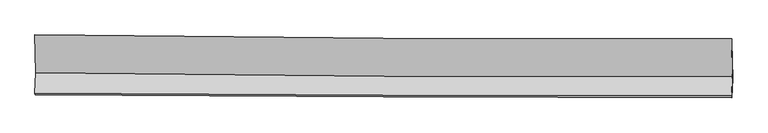
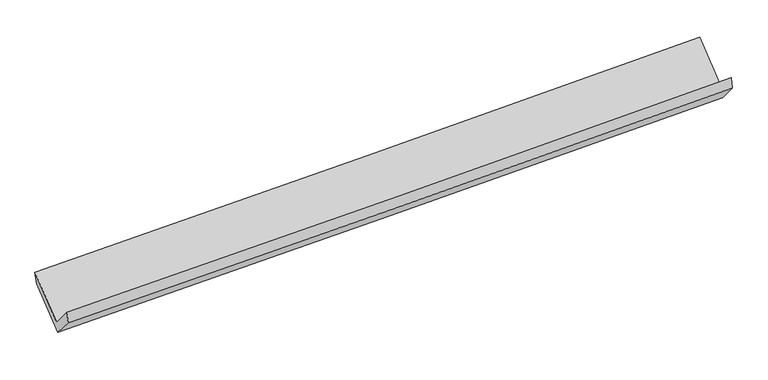
"""IFC4 building model written with IfcOpenShell, lengths in millimetres: proxy geometry."""

import ifcopenshell
import ifcopenshell.guid

model = None  # the IFC model being written
_history = None  # IfcOwnerHistory: only IFC2X3 demands one
_inside = {}  # id of a spatial element -> (the spatial element, [elements in it])
_under = {}  # id of a project, library or spatial element -> (it, [spatial elements below it])
_declared = {}  # id of a project -> (the project, [libraries it declares])
_typed = {}  # id of a type object -> (the type object, [elements of that type])
_made_of = {}  # id of a material, layer set ... -> (it, [elements and type objects made of it])


def new_model(schema):
    """Start an empty IFC model of exactly this schema.

    Asked for "IFC4X3", IfcOpenShell would pick the latest addendum, in which some entities
    have other attributes; the version numbers below select the first issue.
    IFC2X3 requires an IfcOwnerHistory on every rooted entity: one is made here for all.
    """
    global model, _history
    if schema == "IFC4X3":
        model = ifcopenshell.file(schema_version=(4, 3, 0, 0))
    else:
        model = ifcopenshell.file(schema=schema)
    _inside.clear()
    _under.clear()
    _declared.clear()
    _typed.clear()
    _made_of.clear()
    _history = None
    if model.schema == "IFC2X3":
        org = make("IfcOrganization", Name="unknown")
        user = make(
            "IfcPersonAndOrganization",
            ThePerson=make("IfcPerson", FamilyName="unknown"),
            TheOrganization=org,
        )
        app = make(
            "IfcApplication",
            ApplicationDeveloper=org,
            Version="unknown",
            ApplicationFullName="unknown",
            ApplicationIdentifier="unknown",
        )
        _history = make(
            "IfcOwnerHistory",
            OwningUser=user,
            OwningApplication=app,
            ChangeAction="ADDED",
            CreationDate=0,
        )
    return model


def make(cls, **values):
    """One entity of the class cls with the attributes given. An attribute that is None is left unset."""
    return model.create_entity(
        cls, **{name: value for name, value in values.items() if value is not None}
    )


def rooted(cls, **values):
    """An entity with a GlobalId (a new one), such as an element, a storey or a relation."""
    return make(cls, GlobalId=ifcopenshell.guid.new(), OwnerHistory=_history, **values)


def si_unit(unit_type, name, prefix=None):
    """IfcSIUnit, for example si_unit("LENGTHUNIT", "METRE", prefix="MILLI")."""
    return make("IfcSIUnit", UnitType=unit_type, Prefix=prefix, Name=name)


def assignment(units):
    """IfcUnitAssignment: the units of a project."""
    return None if units is None else make("IfcUnitAssignment", Units=units)


def point(xyz):
    """IfcCartesianPoint."""
    return None if xyz is None else make("IfcCartesianPoint", Coordinates=xyz)


def direction(xyz):
    """IfcDirection."""
    return None if xyz is None else make("IfcDirection", DirectionRatios=xyz)


def frame(location, z_axis=None, x_axis=None):
    """IfcAxis2Placement3D, a coordinate frame: its origin and axes. An axis left out is left unset."""
    return make(
        "IfcAxis2Placement3D",
        Location=point(location),
        Axis=direction(z_axis),
        RefDirection=direction(x_axis),
    )


def origin():
    """The frame at (0, 0, 0) with its axes left unset."""
    return frame((0.0, 0.0, 0.0))


def place(relative_to, where):
    """IfcLocalPlacement: puts the frame where relative to a parent placement (None: the world)."""
    return make(
        "IfcLocalPlacement", PlacementRelTo=relative_to, RelativePlacement=where
    )


def context(
    kind, dimensions, precision=None, world=None, true_north=None, identifier=None
):
    """IfcGeometricRepresentationContext, for example the 3D "Model" context."""
    return make(
        "IfcGeometricRepresentationContext",
        ContextIdentifier=identifier,
        ContextType=kind,
        CoordinateSpaceDimension=dimensions,
        Precision=precision,
        WorldCoordinateSystem=world,
        TrueNorth=true_north,
    )


def project(units=None, contexts=None):
    """IfcProject with its units and contexts."""
    return rooted(
        "IfcProject",
        Name="project",
        RepresentationContexts=contexts,
        UnitsInContext=assignment(units),
    )


def spatial(cls, under=None, at=None, **own):
    """A site, building, storey or space (cls), placed at a placement, below another one or the project."""
    s = rooted(cls, ObjectPlacement=at, **own)
    if under is not None:
        _under.setdefault(under.id(), (under, []))[1].append(s)
    return s


def shape(context_of_items, identifier, shape_type, items):
    """IfcShapeRepresentation: the items that make up one representation, for example the "Body"."""
    return make(
        "IfcShapeRepresentation",
        ContextOfItems=context_of_items,
        RepresentationIdentifier=identifier,
        RepresentationType=shape_type,
        Items=items,
    )


def source(mapping_origin, context_of_items, identifier, shape_type, items):
    """IfcRepresentationMap: a shape defined once, which mapped items show again and again."""
    return make(
        "IfcRepresentationMap",
        MappingOrigin=mapping_origin,
        MappedRepresentation=shape(context_of_items, identifier, shape_type, items),
    )


def transform(
    local_origin,
    x_axis=None,
    y_axis=None,
    z_axis=None,
    scale=None,
    scale2=None,
    scale3=None,
    uniform=True,
):
    """IfcCartesianTransformationOperator3D, or its non-uniform kind. x_axis, y_axis, z_axis: its Axis1, 2, 3."""
    if uniform:
        return make(
            "IfcCartesianTransformationOperator3D",
            Axis1=direction(x_axis),
            Axis2=direction(y_axis),
            LocalOrigin=point(local_origin),
            Scale=scale,
            Axis3=direction(z_axis),
        )
    return make(
        "IfcCartesianTransformationOperator3DnonUniform",
        Axis1=direction(x_axis),
        Axis2=direction(y_axis),
        LocalOrigin=point(local_origin),
        Scale=scale,
        Axis3=direction(z_axis),
        Scale2=scale2,
        Scale3=scale3,
    )


def mapped(mapping_source, mapping_target):
    """IfcMappedItem: shows the shape of a source again, moved by a transform."""
    return make(
        "IfcMappedItem", MappingSource=mapping_source, MappingTarget=mapping_target
    )


def made_of(thing, what):
    """Note that an element or type object is made of a material, layer set ...; save() writes the relation."""
    if what is not None:
        _made_of.setdefault(what.id(), (what, []))[1].append(thing)
    return thing


def element(
    cls,
    number,
    at=None,
    inside=None,
    cuts=None,
    type_object=None,
    material=None,
    context=None,
    identifier="Body",
    shape_type=None,
    held_by="IfcProductDefinitionShape",
    body=None,
    shapes=None,
    **own,
):
    """One element of the class cls, such as IfcWall. Its Tag is "e" and its number.

    at: its placement. inside: the storey or other place that contains it. cuts: it is an
    opening in that element (IfcRelVoidsElement). A single representation is given by context,
    identifier, shape_type and body (its items); several are given by shapes. held_by: the class
    of the entity that holds the representations. save() writes the other relations.
    """
    e = rooted(cls, Tag="e%d" % number, ObjectPlacement=at, **own)
    if body is not None:
        shapes = [shape(context, identifier, shape_type, body)]
    if shapes is not None:
        e.Representation = make(held_by, Representations=shapes)
    if inside is not None:
        _inside.setdefault(inside.id(), (inside, []))[1].append(e)
    if cuts is not None:
        rooted(
            "IfcRelVoidsElement", RelatingBuildingElement=cuts, RelatedOpeningElement=e
        )
    if type_object is not None:
        _typed.setdefault(type_object.id(), (type_object, []))[1].append(e)
    return made_of(e, material)


def aggregate(whole, parts):
    """IfcRelAggregates: a whole, such as a stair, and the parts it consists of."""
    return rooted("IfcRelAggregates", RelatingObject=whole, RelatedObjects=parts)


def save(model, path):
    """Write the relations noted so far, then the file.

    IfcRelAggregates (storeys below a building ...), IfcRelContainedInSpatialStructure (elements
    in a storey), IfcRelDefinesByType, IfcRelAssociatesMaterial and IfcRelDeclares: one each for
    every whole, place, type object, material and project.
    """
    for whole, parts in _under.values():
        aggregate(whole, parts)
    for where, things in _inside.values():
        rooted(
            "IfcRelContainedInSpatialStructure",
            RelatedElements=things,
            RelatingStructure=where,
        )
    for kind, things in _typed.values():
        rooted("IfcRelDefinesByType", RelatedObjects=things, RelatingType=kind)
    for what, things in _made_of.values():
        rooted("IfcRelAssociatesMaterial", RelatedObjects=things, RelatingMaterial=what)
    for by, libraries in _declared.values():
        rooted("IfcRelDeclares", RelatingContext=by, RelatedDefinitions=libraries)
    model.write(path)


def plane_surface(at):
    """IfcPlane: the flat surface through the origin of the frame at, square to its z axis."""
    return make("IfcPlane", Position=at)


def spline_curve(degree, points, multiplicities, knots, weights=None):
    """IfcBSplineCurveWithKnots; with weights, IfcRationalBSplineCurveWithKnots."""
    own = dict(
        Degree=degree,
        ControlPointsList=[point(p) for p in points],
        CurveForm="UNSPECIFIED",
        ClosedCurve=False,
        SelfIntersect=False,
        KnotMultiplicities=multiplicities,
        Knots=knots,
        KnotSpec="UNSPECIFIED",
    )
    if weights is None:
        return make("IfcBSplineCurveWithKnots", **own)
    return make("IfcRationalBSplineCurveWithKnots", WeightsData=weights, **own)


def spline_surface(u_degree, v_degree, points, u_multiplicities, v_multiplicities, u_knots, v_knots, weights=None):
    """IfcBSplineSurfaceWithKnots; with weights, IfcRationalBSplineSurfaceWithKnots. points: one row for each step in u."""
    own = dict(
        UDegree=u_degree,
        VDegree=v_degree,
        ControlPointsList=[[point(p) for p in row] for row in points],
        SurfaceForm="UNSPECIFIED",
        UClosed=False,
        VClosed=False,
        SelfIntersect=False,
        UMultiplicities=u_multiplicities,
        VMultiplicities=v_multiplicities,
        UKnots=u_knots,
        VKnots=v_knots,
        KnotSpec="UNSPECIFIED",
    )
    if weights is None:
        return make("IfcBSplineSurfaceWithKnots", **own)
    return make("IfcRationalBSplineSurfaceWithKnots", WeightsData=weights, **own)


def advanced_brep(points, edges, surfaces, faces):
    """IfcAdvancedBrep: a solid bounded by faces that lie on surfaces and meet in shared edges.

    An edge is (start, end): straight between two places in points (the first is 0);
    or (start, end, curve); or (start, end, curve, False) where it runs against its curve.
    A face is (place in surfaces, loops), or (place, loops, False) where it looks against
    its surface's normal. A loop lists edges by number (the first is 1), with a minus sign
    where the edge is run from its end to its start. The first loop is the outer one.
    """
    corners = [point(p) for p in points]
    vertices = [make("IfcVertexPoint", VertexGeometry=c) for c in corners]
    made = []
    for start, end, *more in edges:
        made.append(
            make(
                "IfcEdgeCurve",
                EdgeStart=vertices[start],
                EdgeEnd=vertices[end],
                EdgeGeometry=more[0] if more else make("IfcPolyline", Points=[corners[start], corners[end]]),
                SameSense=more[1] if len(more) > 1 else True,
            )
        )
    hull = []
    for where, loops, *sense in faces:
        bounds = []
        for j, loop in enumerate(loops):
            ring = [make("IfcOrientedEdge", EdgeElement=made[abs(k) - 1], Orientation=k > 0) for k in loop]
            bounds.append(
                make(
                    "IfcFaceOuterBound" if j == 0 else "IfcFaceBound",
                    Bound=make("IfcEdgeLoop", EdgeList=ring),
                    Orientation=True,
                )
            )
        hull.append(make("IfcAdvancedFace", Bounds=bounds, FaceSurface=surfaces[where], SameSense=sense[0] if sense else True))
    return make("IfcAdvancedBrep", Outer=make("IfcClosedShell", CfsFaces=hull))


def generic_models_cf3e982c(model_context):
    return source(origin(), model_context, "Body", "AdvancedBrep", [
        advanced_brep(
        [(-4778.2103432, -1688.9930869, 1650.0310556), (-4787.9518013, -1964.8776164, 1969.713843), (4765.8004457, -2004.3283405, 2226.7925357), (4775.0806379, -1741.5071663, 1922.2469866), (-4784.0313702, -1988.0117305, 1826.1093317), (4769.7208769, -2027.4624545, 2083.1880244), (-4774.3440434, -1713.6602385, 1508.2029603), (4778.9469377, -1766.1743179, 1780.4188913), (-4784.8478688, -1210.4929077, 1942.1135905), (4768.4431123, -1263.0069871, 2214.3295215), (-4789.087349, -1167.9492042, 2099.3576826), (4764.2036321, -1220.4632836, 2371.5736136)],
        [
            (0, 1),
            (1, 2, spline_curve(3, [(-4787.9518013, -1964.8776164, 1969.713843), (-3196.53801998, -1978.256061669, 2006.66229682), (-1605.18447502, -1988.23291741, 2046.544468169), (1579.399758392, -2001.391704192, 2132.229995774), (3172.630295968, -2004.565089724, 2178.0407214), (4765.8004457, -2004.3283405, 2226.7925357)], [4, 2, 4], [0.0, 15.668230199520714, 31.356129371185695])),
            (2, 3),
            (3, 0, spline_curve(3, [(4775.0806379, -1741.5071663, 1922.2469866), (3181.833465813, -1743.925242079, 1876.022797202), (1588.602928237, -1740.751856647, 1830.212071053), (-1595.827357033, -1723.23315163, 1739.474463742), (-3187.027147046, -1708.901844217, 1694.546545957), (-4778.2103432, -1688.9930869, 1650.0310556)], [4, 2, 4], [0.0, 15.68789917166498, 31.356129371185695])),
            (1, 4),
            (4, 5, spline_curve(3, [(-4784.0313702, -1988.0117305, 1826.1093317), (-3192.617589003, -2001.390175463, 1863.057785274), (-1601.264043842, -2011.367031526, 1902.939956808), (1583.320189613, -2024.525818275, 1988.625484535), (3176.550727003, -2027.699203964, 2034.436210265), (4769.7208769, -2027.4624545, 2083.1880244)], [4, 2, 4], [0.0, 15.66821149159209, 31.356091931843615])),
            (5, 2),
            (4, 6),
            (6, 7, spline_curve(3, [(-4774.3440434, -1713.6602385, 1508.2029603), (-3183.160847246, -1733.568995817, 1552.718450657), (-1591.961057233, -1747.90030313, 1597.646368442), (1592.469228037, -1765.419008147, 1688.383975753), (3185.699765613, -1768.592393679, 1734.194701902), (4778.9469377, -1766.1743179, 1780.4188913)], [4, 2, 4], [0.0, 15.668230199520714, 31.356129371185695])),
            (7, 5),
            (6, 8),
            (8, 9, spline_curve(3, [(-4784.8478688, -1210.4929077, 1942.1135905), (-3193.664672639, -1230.401664779, 1986.629081017), (-1602.464882758, -1244.732972411, 2031.556998561), (1581.965402762, -1262.251677467, 2122.294605834), (3175.195939968, -1265.425063174, 2168.105331774), (4768.4431123, -1263.0069871, 2214.3295215)], [4, 2, 4], [0.0, 15.668286323010513, 31.356241688619413])),
            (9, 7),
            (8, 10),
            (10, 11, spline_curve(3, [(-4789.087349, -1167.9492042, 2099.3576826), (-3197.904152839, -1187.857961279, 2143.873173117), (-1606.704362958, -1202.189268811, 2188.801090661), (1577.725922562, -1219.707973867, 2279.538697934), (3170.956459768, -1222.881359674, 2325.349423874), (4764.2036321, -1220.4632836, 2371.5736136)], [4, 2, 4], [0.0, 15.668286323010516, 31.35624168861942])),
            (11, 9),
            (10, 0),
            (3, 11),
        ],
        [
            spline_surface(3, 3, [[(-4778.2103432, -1688.9930869, 1650.0310556), (-3187.027146787, -1708.901843966, 1694.546545923), (-1595.827357075, -1723.233151576, 1739.474463626), (1588.602928279, -1740.751856701, 1830.212071169), (3181.833465585, -1743.925242225, 1876.022797132), (4775.0806379, -1741.5071663, 1922.2469866)], [(-4781.457495911, -1780.954596722, 1756.59198472), (-3190.19743792, -1798.68658314, 1798.585129518), (-1598.946396441, -1811.566406824, 1841.831131863), (1585.53520502, -1827.631805915, 1930.88471267), (3178.765742326, -1830.805191439, 1976.695438633), (4771.987240493, -1829.114224344, 2023.762169645)], [(-4784.704648589, -1872.916106578, 1863.15291388), (-3193.367729021, -1888.471322348, 1902.623713153), (-1602.065435785, -1899.899662041, 1944.187800066), (1582.467481782, -1914.511755099, 2031.557354138), (3175.698019088, -1917.685140723, 2077.3680801), (4768.893843107, -1916.721282456, 2125.277352655)], [(-4787.9518013, -1964.8776164, 1969.713843), (-3196.538020155, -1978.256061522, 2006.662296749), (-1605.184475151, -1988.232917289, 2046.544468303), (1579.399758523, -2001.391704313, 2132.229995639), (3172.630295829, -2004.565089937, 2178.040721601), (4765.8004457, -2004.3283405, 2226.7925357)]], [4, 4], [4, 2, 4], [0.0, 1.320121393990084], [0.0, 15.668230199520714, 31.356129371185695]),
            spline_surface(3, 3, [[(-4787.9518013, -1964.8776164, 1969.713843), (-3196.538020155, -1978.256061522, 2006.662296749), (-1605.184475151, -1988.232917289, 2046.544468303), (1579.399758523, -2001.391704313, 2132.229995639), (3172.630295829, -2004.565089937, 2178.040721601), (4765.8004457, -2004.3283405, 2226.7925357)], [(-4786.644990908, -1972.588987752, 1921.845672567), (-3195.231209762, -1985.967432874, 1958.794126316), (-1603.877664758, -1995.94428864, 1998.676297871), (1580.706568915, -2009.103075665, 2084.361825206), (3173.937106222, -2012.276461289, 2130.172551169), (4767.107256092, -2012.039711852, 2178.924365267)], [(-4785.338180592, -1980.300359148, 1873.977502133), (-3193.924399447, -1993.67880427, 1910.925955881), (-1602.570854343, -2003.655660037, 1950.808127436), (1582.01337933, -2016.814447061, 2036.493654772), (3175.243916637, -2019.987832585, 2082.304380734), (4768.414066508, -2019.751083148, 2131.056194833)], [(-4784.0313702, -1988.0117305, 1826.1093317), (-3192.617589055, -2001.390175622, 1863.057785449), (-1601.264043951, -2011.367031389, 1902.939957003), (1583.320189723, -2024.525818413, 1988.625484339), (3176.550727029, -2027.699203937, 2034.436210301), (4769.7208769, -2027.4624545, 2083.1880244)]], [4, 4], [4, 2, 4], [0.0, 0.4773910964226886], [0.0, 15.66821149159209, 31.356091931843615]),
            spline_surface(3, 3, [[(-4784.0313702, -1988.0117305, 1826.1093317), (-3192.617589055, -2001.390175622, 1863.057785449), (-1601.264043951, -2011.367031389, 1902.939957003), (1583.320189723, -2024.525818413, 1988.625484339), (3176.550727029, -2027.699203937, 2034.436210301), (4769.7208769, -2027.4624545, 2083.1880244)], [(-4780.802261295, -1896.561233168, 1720.140541245), (-3189.465341727, -1912.116448938, 1759.611340518), (-1598.163048391, -1923.54478863, 1801.175427432), (1586.369869176, -1938.156881688, 1888.544981503), (3179.600406483, -1941.330267212, 1934.355707466), (4772.796230501, -1940.366408946, 1982.264980021)], [(-4777.573152305, -1805.110735832, 1614.171750755), (-3186.313094315, -1822.84272225, 1656.164895553), (-1595.062052835, -1835.722545834, 1699.410897898), (1589.419548626, -1851.787944926, 1788.464478705), (3182.650085932, -1854.96133055, 1834.275204667), (4775.871584099, -1853.270363454, 1881.341935679)], [(-4774.3440434, -1713.6602385, 1508.2029603), (-3183.160846987, -1733.568995566, 1552.718450623), (-1591.961057275, -1747.900303076, 1597.646368326), (1592.469228079, -1765.419008201, 1688.383975869), (3185.699765385, -1768.592393825, 1734.194701832), (4778.9469377, -1766.1743179, 1780.4188913)]], [4, 4], [4, 2, 4], [0.0, 1.3124209979431072], [0.0, 15.668230199520714, 31.356129371185695]),
            spline_surface(3, 3, [[(-4774.3440434, -1713.6602385, 1508.2029603), (-3183.160846987, -1733.568995566, 1552.718450623), (-1591.961057275, -1747.900303076, 1597.646368326), (1592.469228079, -1765.419008201, 1688.383975869), (3185.699765385, -1768.592393825, 1734.194701832), (4778.9469377, -1766.1743179, 1780.4188913)], [(-4777.845318536, -1545.937794916, 1652.839837016), (-3186.662122123, -1565.846551982, 1697.355327339), (-1595.462332411, -1580.177859492, 1742.283245042), (1588.967952943, -1597.696564617, 1833.020852586), (3182.198490249, -1600.869950241, 1878.831578548), (4775.445662564, -1598.451874316, 1925.055768016)], [(-4781.346593664, -1378.215351284, 1797.476713784), (-3190.163397251, -1398.12410835, 1841.992204106), (-1598.963607539, -1412.45541596, 1886.920121709), (1585.466677815, -1429.974121085, 1977.657729253), (3178.697215121, -1433.147506609, 2023.468455315), (4771.944387436, -1430.729430684, 2069.692644784)], [(-4784.8478688, -1210.4929077, 1942.1135905), (-3193.664672387, -1230.401664766, 1986.629080823), (-1602.464882675, -1244.732972376, 2031.556998426), (1581.965402679, -1262.251677501, 2122.294605969), (3175.195939985, -1265.425063025, 2168.105332032), (4768.4431123, -1263.0069871, 2214.3295215)]], [4, 4], [4, 2, 4], [0.0, 2.1801326210306775], [0.0, 15.668286323010513, 31.356241688619413]),
            spline_surface(3, 3, [[(-4784.8478688, -1210.4929077, 1942.1135905), (-3193.664672387, -1230.401664766, 1986.629080823), (-1602.464882675, -1244.732972376, 2031.556998426), (1581.965402679, -1262.251677501, 2122.294605969), (3175.195939985, -1265.425063025, 2168.105332032), (4768.4431123, -1263.0069871, 2214.3295215)], [(-4786.261028851, -1196.311673179, 1994.528287867), (-3195.077832438, -1216.220430245, 2039.043778189), (-1603.878042726, -1230.551737855, 2083.971695792), (1580.552242628, -1248.07044298, 2174.709303336), (3173.782779935, -1251.243828504, 2220.520029398), (4767.029952249, -1248.825752579, 2266.744218867)], [(-4787.674188949, -1182.130438721, 2046.942985233), (-3196.490992536, -1202.039195787, 2091.458475556), (-1605.291202824, -1216.370503297, 2136.386393159), (1579.13908253, -1233.889208422, 2227.124000703), (3172.369619836, -1237.062594046, 2272.934726765), (4765.616792151, -1234.644518121, 2319.158916233)], [(-4789.087349, -1167.9492042, 2099.3576826), (-3197.904152587, -1187.857961266, 2143.873172923), (-1606.704362875, -1202.189268776, 2188.801090526), (1577.725922479, -1219.707973901, 2279.538698069), (3170.956459785, -1222.881359525, 2325.349424132), (4764.2036321, -1220.4632836, 2371.5736136)]], [4, 4], [4, 2, 4], [0.0, 0.5346223429791814], [0.0, 15.668286323010516, 31.35624168861942]),
            spline_surface(3, 3, [[(-4789.087349, -1167.9492042, 2099.3576826), (-3197.904152587, -1187.857961266, 2143.873172923), (-1606.704362875, -1202.189268776, 2188.801090526), (1577.725922479, -1219.707973901, 2279.538698069), (3170.956459785, -1222.881359525, 2325.349424132), (4764.2036321, -1220.4632836, 2371.5736136)], [(-4785.4616804, -1341.630498463, 1949.582140284), (-3194.278483987, -1361.539255529, 1994.097630607), (-1603.078694275, -1375.870563039, 2039.02554821), (1581.351591079, -1393.389268164, 2129.763155753), (3174.582128385, -1396.562653788, 2175.573881816), (4767.8293007, -1394.144577863, 2221.798071284)], [(-4781.8360118, -1515.311792637, 1799.806597916), (-3190.652815387, -1535.220549703, 1844.322088239), (-1599.453025675, -1549.551857313, 1889.250005942), (1584.977259679, -1567.070562438, 1979.987613485), (3178.207796986, -1570.243947962, 2025.798339448), (4771.4549693, -1567.825872037, 2072.022528916)], [(-4778.2103432, -1688.9930869, 1650.0310556), (-3187.027146787, -1708.901843966, 1694.546545923), (-1595.827357075, -1723.233151576, 1739.474463626), (1588.602928279, -1740.751856701, 1830.212071169), (3181.833465585, -1743.925242225, 1876.022797132), (4775.0806379, -1741.5071663, 1922.2469866)]], [4, 4], [4, 2, 4], [0.0, 2.2575884729280022], [0.0, 15.668286323010516, 31.35624168861942]),
            plane_surface(frame((4770.3659404, -1670.490425, 2099.7582622), z_axis=(0.9996090350518076, -0.003096237856984589, 0.027788313261639015), x_axis=(-0.02601659994341445, 0.2610797729693918, 0.9649665738633827))),
            plane_surface(frame((-4783.078796, -1622.3307974, 1832.5880773), z_axis=(-0.9996090350518075, 0.003096237856988218, -0.02778831326164334), x_axis=(-0.01580700601231023, 0.7572068949717633, 0.6529838104946767))),
        ],
        [
            (0, [[1, 2, 3, 4]]),
            (1, [[5, 6, 7, -2]]),
            (2, [[8, 9, 10, -6]]),
            (3, [[11, 12, 13, -9]]),
            (4, [[14, 15, 16, -12]]),
            (5, [[17, -4, 18, -15]]),
            (6, [[-16, -18, -3, -7, -10, -13]]),
            (7, [[-17, -14, -11, -8, -5, -1]]),
        ],
    ),
    ])


if __name__ == "__main__":
    model = new_model("IFC4")
    model_context = context("Model", 3, world=origin())
    ifc_project = project(units=[si_unit("LENGTHUNIT", "METRE", prefix="MILLI")], contexts=[model_context])
    site = spatial("IfcSite", under=ifc_project)
    building = spatial("IfcBuilding", under=site)
    placement = place(None, origin())
    generic_models_shape = generic_models_cf3e982c(model_context)
    element("IfcBuildingElementProxy", 1, Name="Generic Models", at=placement, inside=building, context=model_context, shape_type="MappedRepresentation", body=[
        mapped(generic_models_shape, transform((0.0, 0.0, 0.0), x_axis=(1.0, 0.0, 0.0), y_axis=(0.0, 1.0, 0.0), z_axis=(0.0, 0.0, 1.0))),
    ])
    save(model, "model.ifc")
